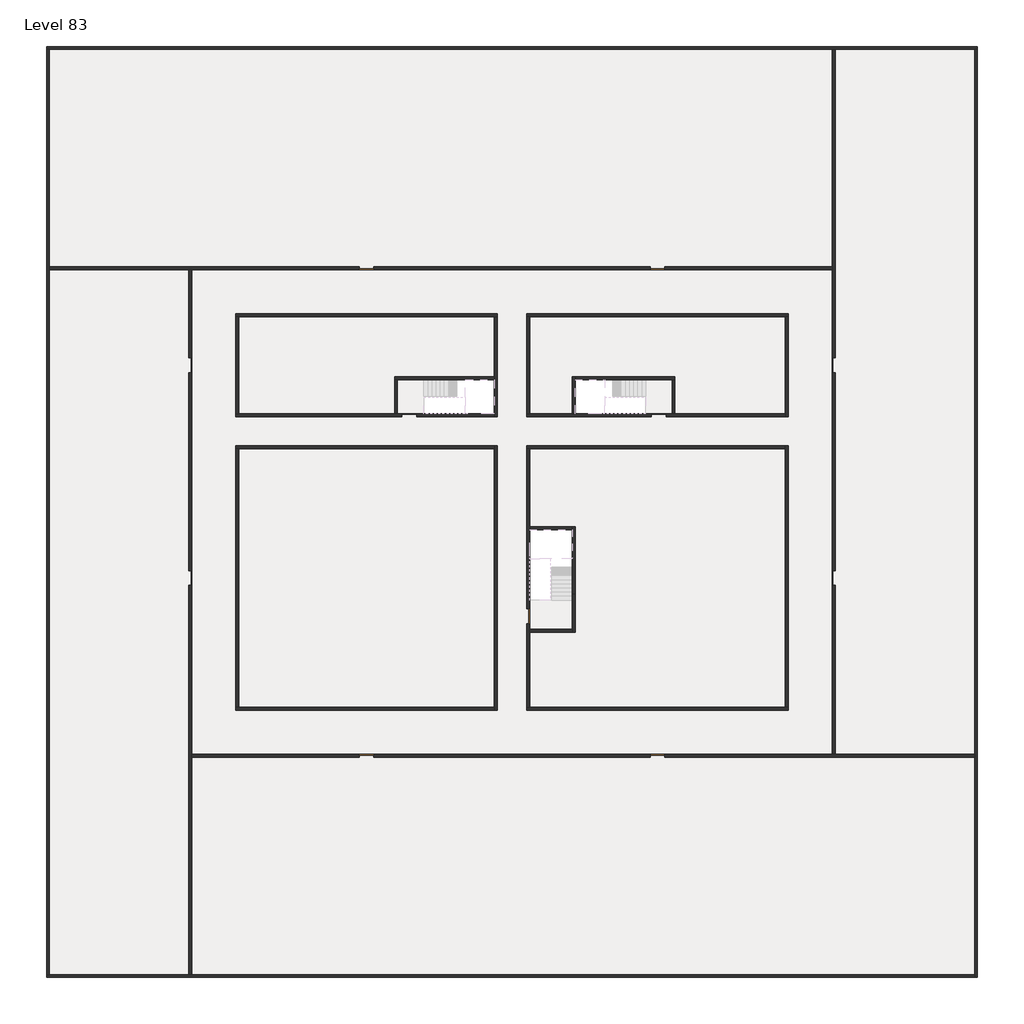
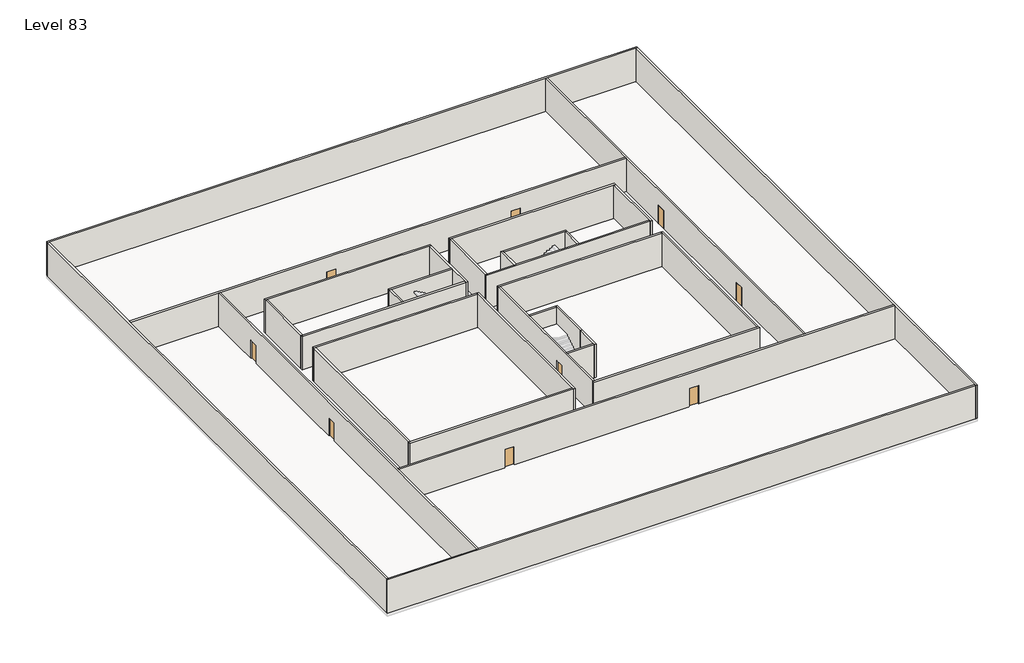
# One storey, part 1 of 2: 33 walls, 11 doors.
"""IFC4 building model written with IfcOpenShell, lengths in millimetres."""

import ifcopenshell
import ifcopenshell.guid

model = None  # the IFC model being written
_history = None  # IfcOwnerHistory: only IFC2X3 demands one
_inside = {}  # id of a spatial element -> (the spatial element, [elements in it])
_under = {}  # id of a project, library or spatial element -> (it, [spatial elements below it])
_declared = {}  # id of a project -> (the project, [libraries it declares])
_typed = {}  # id of a type object -> (the type object, [elements of that type])
_made_of = {}  # id of a material, layer set ... -> (it, [elements and type objects made of it])


def new_model(schema):
    """Start an empty IFC model of exactly this schema.

    Asked for "IFC4X3", IfcOpenShell would pick the latest addendum, in which some entities
    have other attributes; the version numbers below select the first issue.
    IFC2X3 requires an IfcOwnerHistory on every rooted entity: one is made here for all.
    """
    global model, _history
    if schema == "IFC4X3":
        model = ifcopenshell.file(schema_version=(4, 3, 0, 0))
    else:
        model = ifcopenshell.file(schema=schema)
    _inside.clear()
    _under.clear()
    _declared.clear()
    _typed.clear()
    _made_of.clear()
    _history = None
    if model.schema == "IFC2X3":
        org = make("IfcOrganization", Name="unknown")
        user = make(
            "IfcPersonAndOrganization",
            ThePerson=make("IfcPerson", FamilyName="unknown"),
            TheOrganization=org,
        )
        app = make(
            "IfcApplication",
            ApplicationDeveloper=org,
            Version="unknown",
            ApplicationFullName="unknown",
            ApplicationIdentifier="unknown",
        )
        _history = make(
            "IfcOwnerHistory",
            OwningUser=user,
            OwningApplication=app,
            ChangeAction="ADDED",
            CreationDate=0,
        )
    return model


def make(cls, **values):
    """One entity of the class cls with the attributes given. An attribute that is None is left unset."""
    return model.create_entity(
        cls, **{name: value for name, value in values.items() if value is not None}
    )


def rooted(cls, **values):
    """An entity with a GlobalId (a new one), such as an element, a storey or a relation."""
    return make(cls, GlobalId=ifcopenshell.guid.new(), OwnerHistory=_history, **values)


def si_unit(unit_type, name, prefix=None):
    """IfcSIUnit, for example si_unit("LENGTHUNIT", "METRE", prefix="MILLI")."""
    return make("IfcSIUnit", UnitType=unit_type, Prefix=prefix, Name=name)


def assignment(units):
    """IfcUnitAssignment: the units of a project."""
    return None if units is None else make("IfcUnitAssignment", Units=units)


def point(xyz):
    """IfcCartesianPoint."""
    return None if xyz is None else make("IfcCartesianPoint", Coordinates=xyz)


def direction(xyz):
    """IfcDirection."""
    return None if xyz is None else make("IfcDirection", DirectionRatios=xyz)


def frame(location, z_axis=None, x_axis=None):
    """IfcAxis2Placement3D, a coordinate frame: its origin and axes. An axis left out is left unset."""
    return make(
        "IfcAxis2Placement3D",
        Location=point(location),
        Axis=direction(z_axis),
        RefDirection=direction(x_axis),
    )


def origin():
    """The frame at (0, 0, 0) with its axes left unset."""
    return frame((0.0, 0.0, 0.0))


def origin_with_axes():
    """The frame at (0, 0, 0) with the z axis (0, 0, 1) and the x axis (1, 0, 0) written out."""
    return frame((0.0, 0.0, 0.0), z_axis=(0.0, 0.0, 1.0), x_axis=(1.0, 0.0, 0.0))


def place(relative_to, where):
    """IfcLocalPlacement: puts the frame where relative to a parent placement (None: the world)."""
    return make(
        "IfcLocalPlacement", PlacementRelTo=relative_to, RelativePlacement=where
    )


def context(
    kind, dimensions, precision=None, world=None, true_north=None, identifier=None
):
    """IfcGeometricRepresentationContext, for example the 3D "Model" context."""
    return make(
        "IfcGeometricRepresentationContext",
        ContextIdentifier=identifier,
        ContextType=kind,
        CoordinateSpaceDimension=dimensions,
        Precision=precision,
        WorldCoordinateSystem=world,
        TrueNorth=true_north,
    )


def project(units=None, contexts=None):
    """IfcProject with its units and contexts."""
    return rooted(
        "IfcProject",
        Name="project",
        RepresentationContexts=contexts,
        UnitsInContext=assignment(units),
    )


def spatial(cls, under=None, at=None, **own):
    """A site, building, storey or space (cls), placed at a placement, below another one or the project."""
    s = rooted(cls, ObjectPlacement=at, **own)
    if under is not None:
        _under.setdefault(under.id(), (under, []))[1].append(s)
    return s


def polyline(points):
    """IfcPolyline through the points."""
    return make("IfcPolyline", Points=[point(p) for p in points])


def outline(outer, holes=None, kind="AREA"):
    """IfcArbitraryClosedProfileDef: a profile drawn as a closed curve; with holes, ...WithVoids."""
    if holes is None:
        return make("IfcArbitraryClosedProfileDef", ProfileType=kind, OuterCurve=outer)
    return make(
        "IfcArbitraryProfileDefWithVoids",
        ProfileType=kind,
        OuterCurve=outer,
        InnerCurves=holes,
    )


def extrude(swept, where, along, depth):
    """IfcExtrudedAreaSolid: the profile swept, set in the frame where, extruded along a direction by depth."""
    return make(
        "IfcExtrudedAreaSolid",
        SweptArea=swept,
        Position=where,
        ExtrudedDirection=direction(along),
        Depth=depth,
    )


def faces_of(points, faces, orient=None, outer=None):
    """IfcFace entities. A face is a list of loops; a loop is a list of indices into points, from 0.

    orient and outer hold one flag for each loop. By default every Orientation is true, the
    first loop of a face is its IfcFaceOuterBound and the others are IfcFaceBound.
    """
    made = []
    for i, loops in enumerate(faces):
        bounds = []
        for j, loop in enumerate(loops):
            is_outer = j == 0 if outer is None else outer[i][j]
            bounds.append(
                make(
                    "IfcFaceOuterBound" if is_outer else "IfcFaceBound",
                    Bound=make("IfcPolyLoop", Polygon=[points[k] for k in loop]),
                    Orientation=True if orient is None else orient[i][j],
                )
            )
        made.append(make("IfcFace", Bounds=bounds))
    return made


def faceted_brep(points, faces, orient=None, outer=None, voids=None):
    """IfcFacetedBrep: a solid bounded by flat faces; with voids (closed shells), ...WithVoids."""
    shared = [point(p) for p in points]
    hull = make("IfcClosedShell", CfsFaces=faces_of(shared, faces, orient, outer))
    if voids is None:
        return make("IfcFacetedBrep", Outer=hull)
    return make(
        "IfcFacetedBrepWithVoids",
        Outer=hull,
        Voids=[
            make(cls, CfsFaces=faces_of(shared, fs, o, b)) for cls, fs, o, b in voids
        ],
    )


def shape(context_of_items, identifier, shape_type, items):
    """IfcShapeRepresentation: the items that make up one representation, for example the "Body"."""
    return make(
        "IfcShapeRepresentation",
        ContextOfItems=context_of_items,
        RepresentationIdentifier=identifier,
        RepresentationType=shape_type,
        Items=items,
    )


def source(mapping_origin, context_of_items, identifier, shape_type, items):
    """IfcRepresentationMap: a shape defined once, which mapped items show again and again."""
    return make(
        "IfcRepresentationMap",
        MappingOrigin=mapping_origin,
        MappedRepresentation=shape(context_of_items, identifier, shape_type, items),
    )


def transform(
    local_origin,
    x_axis=None,
    y_axis=None,
    z_axis=None,
    scale=None,
    scale2=None,
    scale3=None,
    uniform=True,
):
    """IfcCartesianTransformationOperator3D, or its non-uniform kind. x_axis, y_axis, z_axis: its Axis1, 2, 3."""
    if uniform:
        return make(
            "IfcCartesianTransformationOperator3D",
            Axis1=direction(x_axis),
            Axis2=direction(y_axis),
            LocalOrigin=point(local_origin),
            Scale=scale,
            Axis3=direction(z_axis),
        )
    return make(
        "IfcCartesianTransformationOperator3DnonUniform",
        Axis1=direction(x_axis),
        Axis2=direction(y_axis),
        LocalOrigin=point(local_origin),
        Scale=scale,
        Axis3=direction(z_axis),
        Scale2=scale2,
        Scale3=scale3,
    )


def mapped(mapping_source, mapping_target):
    """IfcMappedItem: shows the shape of a source again, moved by a transform."""
    return make(
        "IfcMappedItem", MappingSource=mapping_source, MappingTarget=mapping_target
    )


def made_of(thing, what):
    """Note that an element or type object is made of a material, layer set ...; save() writes the relation."""
    if what is not None:
        _made_of.setdefault(what.id(), (what, []))[1].append(thing)
    return thing


def element(
    cls,
    number,
    at=None,
    inside=None,
    cuts=None,
    type_object=None,
    material=None,
    context=None,
    identifier="Body",
    shape_type=None,
    held_by="IfcProductDefinitionShape",
    body=None,
    shapes=None,
    **own,
):
    """One element of the class cls, such as IfcWall. Its Tag is "e" and its number.

    at: its placement. inside: the storey or other place that contains it. cuts: it is an
    opening in that element (IfcRelVoidsElement). A single representation is given by context,
    identifier, shape_type and body (its items); several are given by shapes. held_by: the class
    of the entity that holds the representations. save() writes the other relations.
    """
    e = rooted(cls, Tag="e%d" % number, ObjectPlacement=at, **own)
    if body is not None:
        shapes = [shape(context, identifier, shape_type, body)]
    if shapes is not None:
        e.Representation = make(held_by, Representations=shapes)
    if inside is not None:
        _inside.setdefault(inside.id(), (inside, []))[1].append(e)
    if cuts is not None:
        rooted(
            "IfcRelVoidsElement", RelatingBuildingElement=cuts, RelatedOpeningElement=e
        )
    if type_object is not None:
        _typed.setdefault(type_object.id(), (type_object, []))[1].append(e)
    return made_of(e, material)


def aggregate(whole, parts):
    """IfcRelAggregates: a whole, such as a stair, and the parts it consists of."""
    return rooted("IfcRelAggregates", RelatingObject=whole, RelatedObjects=parts)


def save(model, path):
    """Write the relations noted so far, then the file.

    IfcRelAggregates (storeys below a building ...), IfcRelContainedInSpatialStructure (elements
    in a storey), IfcRelDefinesByType, IfcRelAssociatesMaterial and IfcRelDeclares: one each for
    every whole, place, type object, material and project.
    """
    for whole, parts in _under.values():
        aggregate(whole, parts)
    for where, things in _inside.values():
        rooted(
            "IfcRelContainedInSpatialStructure",
            RelatedElements=things,
            RelatingStructure=where,
        )
    for kind, things in _typed.values():
        rooted("IfcRelDefinesByType", RelatedObjects=things, RelatingType=kind)
    for what, things in _made_of.values():
        rooted("IfcRelAssociatesMaterial", RelatedObjects=things, RelatingMaterial=what)
    for by, libraries in _declared.values():
        rooted("IfcRelDeclares", RelatingContext=by, RelatedDefinitions=libraries)
    model.write(path)


def door_fb3c37fd(model_context):
    return source(origin(), model_context, "Body", "SweptSolid", [
        extrude(outline(polyline([(500.0, 49.0), (-500.0, 49.0), (-500.0, 100.0), (500.0, 100.0), (500.0, 49.0)])), origin_with_axes(), (0.0, 0.0, 1.0), 2100.0),
    ])


def door_0317a72c(model_context):
    return source(origin(), model_context, "Body", "SweptSolid", [
        extrude(outline(polyline([(500.0, -49.0), (500.0, -100.0), (-500.0, -100.0), (-500.0, -49.0), (500.0, -49.0)])), origin_with_axes(), (0.0, 0.0, 1.0), 2100.0),
    ])


model = new_model("IFC4")

# Units and contexts
model_context = context("Model", 3, world=origin())
ifc_project = project(units=[si_unit("LENGTHUNIT", "METRE", prefix="MILLI")], contexts=[model_context])

# Site, building, storey
site = spatial("IfcSite", under=ifc_project)
building = spatial("IfcBuilding", under=site)
storey = spatial("IfcBuildingStorey", under=building, Name="Level 83", Elevation=311600.0)

# Doors
placement = place(None, origin())
door_shape = door_fb3c37fd(model_context)
element("IfcDoor", 1, at=placement, inside=storey, context=model_context, shape_type="MappedRepresentation", body=[
    mapped(door_shape, transform((34190.1058784, -30618.09644, 311600.0), x_axis=(1.0, 0.0, 0.0), y_axis=(0.0, 1.0, 0.0), z_axis=(0.0, 0.0, 1.0))),
])
element("IfcDoor", 2, at=placement, inside=storey, context=model_context, shape_type="MappedRepresentation", body=[
    mapped(door_shape, transform((25290.1058784, -44318.09644, 311600.0), x_axis=(0.0, -1.0, 0.0), y_axis=(1.0, 0.0, 0.0), z_axis=(0.0, 0.0, 1.0))),
])
element("IfcDoor", 3, at=placement, inside=storey, context=model_context, shape_type="MappedRepresentation", body=[
    mapped(door_shape, transform((2290.1058784, -41718.09644, 311600.0), x_axis=(0.0, -1.0, 0.0), y_axis=(1.0, 0.0, 0.0), z_axis=(0.0, 0.0, 1.0))),
])
element("IfcDoor", 4, at=placement, inside=storey, context=model_context, shape_type="MappedRepresentation", body=[
    mapped(door_shape, transform((2290.1058784, -27218.09644, 311600.0), x_axis=(0.0, -1.0, 0.0), y_axis=(1.0, 0.0, 0.0), z_axis=(0.0, 0.0, 1.0))),
])
element("IfcDoor", 5, at=placement, inside=storey, context=model_context, shape_type="MappedRepresentation", body=[
    mapped(door_shape, transform((14290.1058784, -20618.09644, 311600.0), x_axis=(-1.0, 0.0, 0.0), y_axis=(0.0, -1.0, 0.0), z_axis=(0.0, 0.0, 1.0))),
])
element("IfcDoor", 6, at=placement, inside=storey, context=model_context, shape_type="MappedRepresentation", body=[
    mapped(door_shape, transform((34090.1058784, -20618.09644, 311600.0), x_axis=(-1.0, 0.0, 0.0), y_axis=(0.0, -1.0, 0.0), z_axis=(0.0, 0.0, 1.0))),
])
element("IfcDoor", 7, at=placement, inside=storey, context=model_context, shape_type="MappedRepresentation", body=[
    mapped(door_shape, transform((46090.1058784, -27218.09644, 311600.0), x_axis=(0.0, 1.0, 0.0), y_axis=(-1.0, 0.0, 0.0), z_axis=(0.0, 0.0, 1.0))),
])
element("IfcDoor", 8, at=placement, inside=storey, context=model_context, shape_type="MappedRepresentation", body=[
    mapped(door_shape, transform((46090.1058784, -41718.09644, 311600.0), x_axis=(0.0, 1.0, 0.0), y_axis=(-1.0, 0.0, 0.0), z_axis=(0.0, 0.0, 1.0))),
])
element("IfcDoor", 9, at=placement, inside=storey, context=model_context, shape_type="MappedRepresentation", body=[
    mapped(door_shape, transform((34090.1058784, -53818.09644, 311600.0), x_axis=(1.0, 0.0, 0.0), y_axis=(0.0, 1.0, 0.0), z_axis=(0.0, 0.0, 1.0))),
])
element("IfcDoor", 10, at=placement, inside=storey, context=model_context, shape_type="MappedRepresentation", body=[
    mapped(door_shape, transform((14290.1058784, -53818.09644, 311600.0), x_axis=(1.0, 0.0, 0.0), y_axis=(0.0, 1.0, 0.0), z_axis=(0.0, 0.0, 1.0))),
])
door_2_shape = door_0317a72c(model_context)
element("IfcDoor", 11, at=placement, inside=storey, context=model_context, shape_type="MappedRepresentation", body=[
    mapped(door_2_shape, transform((17190.1058784, -30618.09644, 311600.0), x_axis=(-1.0, 0.0, 0.0), y_axis=(0.0, -1.0, 0.0), z_axis=(0.0, 0.0, 1.0))),
])

# Walls
element("IfcWall", 12, at=placement, inside=storey, context=model_context, shape_type="Brep", body=[
    faceted_brep([(-7509.8941216, -5718.09644, 311600.0), (-7309.8941216, -5718.09644, 311600.0), (45990.1058784, -5718.09644, 311600.0), (46190.1058784, -5718.09644, 311600.0), (55690.1058784, -5718.09644, 311600.0), (55890.1058784, -5718.09644, 311600.0), (55890.1058784, -5718.09644, 315400.0), (55690.1058784, -5718.09644, 315400.0), (46190.1058784, -5718.09644, 315400.0), (45990.1058784, -5718.09644, 315400.0), (-7309.8941216, -5718.09644, 315400.0), (-7509.8941216, -5718.09644, 315400.0), (-7509.8941216, -5518.09644, 311600.0), (-7509.8941216, -5518.09644, 315400.0), (55890.1058784, -5518.09644, 315400.0), (55890.1058784, -5518.09644, 311600.0)], [[[0, 1, 2, 3, 4, 5, 6, 7, 8, 9, 10, 11]], [[12, 13, 14, 15]], [[5, 4, 3, 2, 1, 0, 12, 15]], [[11, 10, 9, 8, 7, 6, 14, 13]], [[6, 5, 15, 14]], [[0, 11, 13, 12]]]),
])
element("IfcWall", 13, at=placement, inside=storey, context=model_context, shape_type="Brep", body=[
    faceted_brep([(55690.1058784, -5718.09644, 311600.0), (55690.1058784, -53718.09644, 311600.0), (55690.1058784, -53918.09644, 311600.0), (55690.1058784, -68718.09644, 311600.0), (55690.1058784, -68918.09644, 311600.0), (55690.1058784, -68918.09644, 315400.0), (55690.1058784, -68718.09644, 315400.0), (55690.1058784, -53918.09644, 315400.0), (55690.1058784, -53718.09644, 315400.0), (55690.1058784, -5718.09644, 315400.0), (55890.1058784, -5718.09644, 311600.0), (55890.1058784, -5718.09644, 315400.0), (55890.1058784, -68918.09644, 315400.0), (55890.1058784, -68918.09644, 311600.0)], [[[0, 1, 2, 3, 4, 5, 6, 7, 8, 9]], [[10, 11, 12, 13]], [[4, 3, 2, 1, 0, 10, 13]], [[9, 8, 7, 6, 5, 12, 11]], [[0, 9, 11, 10]], [[5, 4, 13, 12]]]),
])
element("IfcWall", 14, at=placement, inside=storey, context=model_context, shape_type="Brep", body=[
    faceted_brep([(55690.1058784, -68718.09644, 311600.0), (2390.1058784, -68718.09644, 311600.0), (2190.1058784, -68718.09644, 311600.0), (-7309.8941216, -68718.09644, 311600.0), (-7509.8941216, -68718.09644, 311600.0), (-7509.8941216, -68718.09644, 315400.0), (-7309.8941216, -68718.09644, 315400.0), (2190.1058784, -68718.09644, 315400.0), (2390.1058784, -68718.09644, 315400.0), (55690.1058784, -68718.09644, 315400.0), (55690.1058784, -68918.09644, 311600.0), (55690.1058784, -68918.09644, 315400.0), (-7509.8941216, -68918.09644, 315400.0), (-7509.8941216, -68918.09644, 311600.0)], [[[0, 1, 2, 3, 4, 5, 6, 7, 8, 9]], [[10, 11, 12, 13]], [[4, 3, 2, 1, 0, 10, 13]], [[9, 8, 7, 6, 5, 12, 11]], [[0, 9, 11, 10]], [[5, 4, 13, 12]]]),
])
element("IfcWall", 15, at=placement, inside=storey, context=model_context, shape_type="Brep", body=[
    faceted_brep([(-7309.8941216, -68718.09644, 311600.0), (-7309.8941216, -20718.09644, 311600.0), (-7309.8941216, -20518.09644, 311600.0), (-7309.8941216, -5718.09644, 311600.0), (-7309.8941216, -5718.09644, 315400.0), (-7309.8941216, -20518.09644, 315400.0), (-7309.8941216, -20718.09644, 315400.0), (-7309.8941216, -68718.09644, 315400.0), (-7509.8941216, -68718.09644, 311600.0), (-7509.8941216, -68718.09644, 315400.0), (-7509.8941216, -5718.09644, 315400.0), (-7509.8941216, -5718.09644, 311600.0)], [[[0, 1, 2, 3, 4, 5, 6, 7]], [[8, 9, 10, 11]], [[3, 2, 1, 0, 8, 11]], [[7, 6, 5, 4, 10, 9]], [[4, 3, 11, 10]], [[0, 7, 9, 8]]]),
])
element("IfcWall", 16, at=placement, inside=storey, context=model_context, shape_type="Brep", body=[
    faceted_brep([(5390.1058784, -23918.09644, 311600.0), (5590.1058784, -23918.09644, 311600.0), (22990.1058784, -23918.09644, 311600.0), (23190.1058784, -23918.09644, 311600.0), (23190.1058784, -23918.09644, 315400.0), (22990.1058784, -23918.09644, 315400.0), (5590.1058784, -23918.09644, 315400.0), (5390.1058784, -23918.09644, 315400.0), (5390.1058784, -23718.09644, 311600.0), (5390.1058784, -23718.09644, 315400.0), (23190.1058784, -23718.09644, 315400.0), (23190.1058784, -23718.09644, 311600.0)], [[[0, 1, 2, 3, 4, 5, 6, 7]], [[8, 9, 10, 11]], [[3, 2, 1, 0, 8, 11]], [[7, 6, 5, 4, 10, 9]], [[4, 3, 11, 10]], [[0, 7, 9, 8]]]),
])
element("IfcWall", 17, at=placement, inside=storey, context=model_context, shape_type="Brep", body=[
    faceted_brep([(22990.1058784, -23918.09644, 311600.0), (22990.1058784, -28018.09644, 311600.0), (22990.1058784, -28218.09644, 311600.0), (22990.1058784, -30518.09644, 311600.0), (22990.1058784, -30718.09644, 311600.0), (22990.1058784, -30718.09644, 315400.0), (22990.1058784, -30518.09644, 315400.0), (22990.1058784, -28218.09644, 315400.0), (22990.1058784, -28018.09644, 315400.0), (22990.1058784, -23918.09644, 315400.0), (23190.1058784, -23918.09644, 311600.0), (23190.1058784, -23918.09644, 315400.0), (23190.1058784, -30718.09644, 315400.0), (23190.1058784, -30718.09644, 311600.0)], [[[0, 1, 2, 3, 4, 5, 6, 7, 8, 9]], [[10, 11, 12, 13]], [[4, 3, 2, 1, 0, 10, 13]], [[9, 8, 7, 6, 5, 12, 11]], [[0, 9, 11, 10]], [[5, 4, 13, 12]]]),
])
element("IfcWall", 18, at=placement, inside=storey, context=model_context, shape_type="Brep", body=[
    faceted_brep([(25190.1058784, -44818.09644, 313700.0), (25190.1058784, -44818.09644, 311600.0), (25190.1058784, -50518.09644, 311600.0), (25190.1058784, -50518.09644, 315400.0), (25190.1058784, -32918.09644, 315400.0), (25190.1058784, -32918.09644, 311600.0), (25190.1058784, -43818.09644, 311600.0), (25190.1058784, -43818.09644, 313700.0), (25390.1058784, -50518.09644, 311600.0), (25390.1058784, -45418.09644, 311600.0), (25390.1058784, -45218.09644, 311600.0), (25390.1058784, -44818.09644, 311600.0), (25390.1058784, -44818.09644, 313700.0), (25390.1058784, -43818.09644, 313700.0), (25390.1058784, -43818.09644, 311600.0), (25390.1058784, -38418.09644, 311600.0), (25390.1058784, -38218.09644, 311600.0), (25390.1058784, -32918.09644, 311600.0), (25390.1058784, -32918.09644, 315400.0), (25390.1058784, -38218.09644, 315400.0), (25390.1058784, -38418.09644, 315400.0), (25390.1058784, -45218.09644, 315400.0), (25390.1058784, -45418.09644, 315400.0), (25390.1058784, -50518.09644, 315400.0)], [[[0, 1, 2, 3, 4, 5, 6, 7]], [[8, 9, 10, 11, 12, 13, 14, 15, 16, 17, 18, 19, 20, 21, 22, 23]], [[6, 5, 17, 16, 15, 14]], [[2, 1, 11, 10, 9, 8]], [[4, 3, 23, 22, 21, 20, 19, 18]], [[3, 2, 8, 23]], [[5, 4, 18, 17]], [[12, 11, 1, 0]], [[13, 12, 0, 7]], [[14, 13, 7, 6]]]),
])
element("IfcWall", 19, at=placement, inside=storey, context=model_context, shape_type="Brep", body=[
    faceted_brep([(22990.1058784, -32718.09644, 311600.0), (22990.1058784, -32918.09644, 311600.0), (22990.1058784, -50518.09644, 311600.0), (22990.1058784, -50718.09644, 311600.0), (22990.1058784, -50718.09644, 315400.0), (22990.1058784, -50518.09644, 315400.0), (22990.1058784, -32918.09644, 315400.0), (22990.1058784, -32718.09644, 315400.0), (23190.1058784, -32718.09644, 311600.0), (23190.1058784, -32718.09644, 315400.0), (23190.1058784, -50718.09644, 315400.0), (23190.1058784, -50718.09644, 311600.0)], [[[0, 1, 2, 3, 4, 5, 6, 7]], [[8, 9, 10, 11]], [[3, 2, 1, 0, 8, 11]], [[7, 6, 5, 4, 10, 9]], [[4, 3, 11, 10]], [[0, 7, 9, 8]]]),
])
element("IfcWall", 20, at=placement, inside=storey, context=model_context, shape_type="Brep", body=[
    faceted_brep([(22990.1058784, -50518.09644, 311600.0), (5590.1058784, -50518.09644, 311600.0), (5390.1058784, -50518.09644, 311600.0), (5390.1058784, -50518.09644, 315400.0), (5590.1058784, -50518.09644, 315400.0), (22990.1058784, -50518.09644, 315400.0), (22990.1058784, -50718.09644, 311600.0), (22990.1058784, -50718.09644, 315400.0), (5390.1058784, -50718.09644, 315400.0), (5390.1058784, -50718.09644, 311600.0)], [[[0, 1, 2, 3, 4, 5]], [[6, 7, 8, 9]], [[2, 1, 0, 6, 9]], [[5, 4, 3, 8, 7]], [[0, 5, 7, 6]], [[3, 2, 9, 8]]]),
])
element("IfcWall", 21, at=placement, inside=storey, context=model_context, shape_type="Brep", body=[
    faceted_brep([(28290.1058784, -42818.09644, 311600.0), (28290.1058784, -45218.09644, 311600.0), (28290.1058784, -45418.09644, 311600.0), (28290.1058784, -45418.09644, 315400.0), (28290.1058784, -45218.09644, 315400.0), (28290.1058784, -42818.09644, 315400.0), (28490.1058784, -42818.09644, 311600.0), (28490.1058784, -42818.09644, 315400.0), (28490.1058784, -45418.09644, 315400.0), (28490.1058784, -45418.09644, 311600.0)], [[[0, 1, 2, 3, 4, 5]], [[6, 7, 8, 9]], [[2, 1, 0, 6, 9]], [[5, 4, 3, 8, 7]], [[0, 5, 7, 6]], [[3, 2, 9, 8]]]),
])
element("IfcWall", 22, at=placement, inside=storey, context=model_context, shape_type="SweptSolid", body=[
    extrude(outline(polyline([(5390.1058784, -30518.09644), (5390.1058784, -23918.09644), (5590.1058784, -23918.09644), (5590.1058784, -30518.09644), (5390.1058784, -30518.09644)])), frame((0.0, 0.0, 311600.0), z_axis=(0.0, 0.0, 1.0), x_axis=(1.0, 0.0, 0.0)), (0.0, 0.0, 1.0), 3800.0),
])
element("IfcWall", 23, at=placement, inside=storey, context=model_context, shape_type="Brep", body=[
    faceted_brep([(5390.1058784, -30718.09644, 311600.0), (16690.1058784, -30718.09644, 311600.0), (16690.1058784, -30718.09644, 313700.0), (17690.1058784, -30718.09644, 313700.0), (17690.1058784, -30718.09644, 311600.0), (22990.1058784, -30718.09644, 311600.0), (22990.1058784, -30718.09644, 315400.0), (5390.1058784, -30718.09644, 315400.0), (16690.1058784, -30518.09644, 313700.0), (16690.1058784, -30518.09644, 311600.0), (16390.1058784, -30518.09644, 311600.0), (16190.1058784, -30518.09644, 311600.0), (5590.1058784, -30518.09644, 311600.0), (5390.1058784, -30518.09644, 311600.0), (5390.1058784, -30518.09644, 315400.0), (5590.1058784, -30518.09644, 315400.0), (16190.1058784, -30518.09644, 315400.0), (16390.1058784, -30518.09644, 315400.0), (22990.1058784, -30518.09644, 315400.0), (22990.1058784, -30518.09644, 311600.0), (17690.1058784, -30518.09644, 311600.0), (17690.1058784, -30518.09644, 313700.0)], [[[0, 1, 2, 3, 4, 5, 6, 7]], [[8, 9, 10, 11, 12, 13, 14, 15, 16, 17, 18, 19, 20, 21]], [[20, 19, 5, 4]], [[13, 12, 11, 10, 9, 1, 0]], [[7, 6, 18, 17, 16, 15, 14]], [[0, 7, 14, 13]], [[6, 5, 19, 18]], [[2, 1, 9, 8]], [[3, 2, 8, 21]], [[4, 3, 21, 20]]]),
])
element("IfcWall", 24, at=placement, inside=storey, context=model_context, shape_type="Brep", body=[
    faceted_brep([(28490.1058784, -42818.09644, 311600.0), (28490.1058784, -38218.09644, 311600.0), (28490.1058784, -38218.09644, 315400.0), (28490.1058784, -42818.09644, 315400.0), (28290.1058784, -42818.09644, 311600.0), (28290.1058784, -42818.09644, 315400.0), (28290.1058784, -38418.09644, 315400.0), (28290.1058784, -38218.09644, 315400.0), (28290.1058784, -38218.09644, 311600.0), (28290.1058784, -38418.09644, 311600.0)], [[[0, 1, 2, 3]], [[4, 5, 6, 7, 8, 9]], [[1, 0, 4, 9, 8]], [[3, 2, 7, 6, 5]], [[0, 3, 5, 4]], [[2, 1, 8, 7]]]),
])
element("IfcWall", 25, at=placement, inside=storey, context=model_context, shape_type="SweptSolid", body=[
    extrude(outline(polyline([(25390.1058784, -38218.09644), (28290.1058784, -38218.09644), (28290.1058784, -38418.09644), (25390.1058784, -38418.09644), (25390.1058784, -38218.09644)])), frame((0.0, 0.0, 311600.0), z_axis=(0.0, 0.0, 1.0), x_axis=(1.0, 0.0, 0.0)), (0.0, 0.0, 1.0), 3800.0),
])
element("IfcWall", 26, at=placement, inside=storey, context=model_context, shape_type="SweptSolid", body=[
    extrude(outline(polyline([(28290.1058784, -45418.09644), (25390.1058784, -45418.09644), (25390.1058784, -45218.09644), (28290.1058784, -45218.09644), (28290.1058784, -45418.09644)])), frame((0.0, 0.0, 311600.0), z_axis=(0.0, 0.0, 1.0), x_axis=(1.0, 0.0, 0.0)), (0.0, 0.0, 1.0), 3800.0),
])
element("IfcWall", 27, at=placement, inside=storey, context=model_context, shape_type="Brep", body=[
    faceted_brep([(5390.1058784, -32918.09644, 311600.0), (5590.1058784, -32918.09644, 311600.0), (22990.1058784, -32918.09644, 311600.0), (22990.1058784, -32918.09644, 315400.0), (5590.1058784, -32918.09644, 315400.0), (5390.1058784, -32918.09644, 315400.0), (5390.1058784, -32718.09644, 311600.0), (5390.1058784, -32718.09644, 315400.0), (22990.1058784, -32718.09644, 315400.0), (22990.1058784, -32718.09644, 311600.0)], [[[0, 1, 2, 3, 4, 5]], [[6, 7, 8, 9]], [[2, 1, 0, 6, 9]], [[5, 4, 3, 8, 7]], [[3, 2, 9, 8]], [[0, 5, 7, 6]]]),
])
element("IfcWall", 28, at=placement, inside=storey, context=model_context, shape_type="SweptSolid", body=[
    extrude(outline(polyline([(5390.1058784, -50518.09644), (5390.1058784, -32918.09644), (5590.1058784, -32918.09644), (5590.1058784, -50518.09644), (5390.1058784, -50518.09644)])), frame((0.0, 0.0, 311600.0), z_axis=(0.0, 0.0, 1.0), x_axis=(1.0, 0.0, 0.0)), (0.0, 0.0, 1.0), 3800.0),
])
element("IfcWall", 29, at=placement, inside=storey, context=model_context, shape_type="Brep", body=[
    faceted_brep([(25190.1058784, -50718.09644, 311600.0), (42990.1058784, -50718.09644, 311600.0), (42990.1058784, -50718.09644, 315400.0), (25190.1058784, -50718.09644, 315400.0), (25190.1058784, -50518.09644, 311600.0), (25190.1058784, -50518.09644, 315400.0), (25390.1058784, -50518.09644, 315400.0), (42790.1058784, -50518.09644, 315400.0), (42990.1058784, -50518.09644, 315400.0), (42990.1058784, -50518.09644, 311600.0), (42790.1058784, -50518.09644, 311600.0), (25390.1058784, -50518.09644, 311600.0)], [[[0, 1, 2, 3]], [[4, 5, 6, 7, 8, 9, 10, 11]], [[1, 0, 4, 11, 10, 9]], [[3, 2, 8, 7, 6, 5]], [[2, 1, 9, 8]], [[0, 3, 5, 4]]]),
])
element("IfcWall", 30, at=placement, inside=storey, context=model_context, shape_type="Brep", body=[
    faceted_brep([(42990.1058784, -50518.09644, 311600.0), (42990.1058784, -32718.09644, 311600.0), (42990.1058784, -32718.09644, 315400.0), (42990.1058784, -50518.09644, 315400.0), (42790.1058784, -50518.09644, 311600.0), (42790.1058784, -50518.09644, 315400.0), (42790.1058784, -32918.09644, 315400.0), (42790.1058784, -32718.09644, 315400.0), (42790.1058784, -32718.09644, 311600.0), (42790.1058784, -32918.09644, 311600.0)], [[[0, 1, 2, 3]], [[4, 5, 6, 7, 8, 9]], [[1, 0, 4, 9, 8]], [[3, 2, 7, 6, 5]], [[0, 3, 5, 4]], [[2, 1, 8, 7]]]),
])
element("IfcWall", 31, at=placement, inside=storey, context=model_context, shape_type="Brep", body=[
    faceted_brep([(42790.1058784, -32718.09644, 311600.0), (25190.1058784, -32718.09644, 311600.0), (25190.1058784, -32718.09644, 315400.0), (42790.1058784, -32718.09644, 315400.0), (42790.1058784, -32918.09644, 311600.0), (42790.1058784, -32918.09644, 315400.0), (25390.1058784, -32918.09644, 315400.0), (25190.1058784, -32918.09644, 315400.0), (25190.1058784, -32918.09644, 311600.0), (25390.1058784, -32918.09644, 311600.0)], [[[0, 1, 2, 3]], [[4, 5, 6, 7, 8, 9]], [[1, 0, 4, 9, 8]], [[3, 2, 7, 6, 5]], [[0, 3, 5, 4]], [[2, 1, 8, 7]]]),
])
element("IfcWall", 32, at=placement, inside=storey, context=model_context, shape_type="Brep", body=[
    faceted_brep([(25190.1058784, -23918.09644, 311600.0), (25390.1058784, -23918.09644, 311600.0), (42790.1058784, -23918.09644, 311600.0), (42990.1058784, -23918.09644, 311600.0), (42990.1058784, -23918.09644, 315400.0), (42790.1058784, -23918.09644, 315400.0), (25390.1058784, -23918.09644, 315400.0), (25190.1058784, -23918.09644, 315400.0), (25190.1058784, -23718.09644, 311600.0), (25190.1058784, -23718.09644, 315400.0), (42990.1058784, -23718.09644, 315400.0), (42990.1058784, -23718.09644, 311600.0)], [[[0, 1, 2, 3, 4, 5, 6, 7]], [[8, 9, 10, 11]], [[3, 2, 1, 0, 8, 11]], [[7, 6, 5, 4, 10, 9]], [[0, 7, 9, 8]], [[4, 3, 11, 10]]]),
])
element("IfcWall", 33, at=placement, inside=storey, context=model_context, shape_type="Brep", body=[
    faceted_brep([(42790.1058784, -23918.09644, 311600.0), (42790.1058784, -30518.09644, 311600.0), (42790.1058784, -30718.09644, 311600.0), (42790.1058784, -30718.09644, 315400.0), (42790.1058784, -30518.09644, 315400.0), (42790.1058784, -23918.09644, 315400.0), (42990.1058784, -23918.09644, 311600.0), (42990.1058784, -23918.09644, 315400.0), (42990.1058784, -30718.09644, 315400.0), (42990.1058784, -30718.09644, 311600.0)], [[[0, 1, 2, 3, 4, 5]], [[6, 7, 8, 9]], [[2, 1, 0, 6, 9]], [[5, 4, 3, 8, 7]], [[0, 5, 7, 6]], [[3, 2, 9, 8]]]),
])
element("IfcWall", 34, at=placement, inside=storey, context=model_context, shape_type="Brep", body=[
    faceted_brep([(42790.1058784, -30518.09644, 311600.0), (35290.1058784, -30518.09644, 311600.0), (35090.1058784, -30518.09644, 311600.0), (34690.1058784, -30518.09644, 311600.0), (34690.1058784, -30518.09644, 313700.0), (33690.1058784, -30518.09644, 313700.0), (33690.1058784, -30518.09644, 311600.0), (28490.1058784, -30518.09644, 311600.0), (28290.1058784, -30518.09644, 311600.0), (25390.1058784, -30518.09644, 311600.0), (25190.1058784, -30518.09644, 311600.0), (25190.1058784, -30518.09644, 315400.0), (25390.1058784, -30518.09644, 315400.0), (28290.1058784, -30518.09644, 315400.0), (28490.1058784, -30518.09644, 315400.0), (35090.1058784, -30518.09644, 315400.0), (35290.1058784, -30518.09644, 315400.0), (42790.1058784, -30518.09644, 315400.0), (34690.1058784, -30718.09644, 313700.0), (34690.1058784, -30718.09644, 311600.0), (42790.1058784, -30718.09644, 311600.0), (42790.1058784, -30718.09644, 315400.0), (25190.1058784, -30718.09644, 315400.0), (25190.1058784, -30718.09644, 311600.0), (33690.1058784, -30718.09644, 311600.0), (33690.1058784, -30718.09644, 313700.0)], [[[0, 1, 2, 3, 4, 5, 6, 7, 8, 9, 10, 11, 12, 13, 14, 15, 16, 17]], [[18, 19, 20, 21, 22, 23, 24, 25]], [[24, 23, 10, 9, 8, 7, 6]], [[20, 19, 3, 2, 1, 0]], [[17, 16, 15, 14, 13, 12, 11, 22, 21]], [[11, 10, 23, 22]], [[0, 17, 21, 20]], [[4, 3, 19, 18]], [[5, 4, 18, 25]], [[6, 5, 25, 24]]]),
])
element("IfcWall", 35, at=placement, inside=storey, context=model_context, shape_type="SweptSolid", body=[
    extrude(outline(polyline([(25390.1058784, -23918.09644), (25390.1058784, -30518.09644), (25190.1058784, -30518.09644), (25190.1058784, -23918.09644), (25390.1058784, -23918.09644)])), frame((0.0, 0.0, 311600.0), z_axis=(0.0, 0.0, 1.0), x_axis=(1.0, 0.0, 0.0)), (0.0, 0.0, 1.0), 3800.0),
])
element("IfcWall", 36, at=placement, inside=storey, context=model_context, shape_type="Brep", body=[
    faceted_brep([(28490.1058784, -30518.09644, 311600.0), (28490.1058784, -28218.09644, 311600.0), (28490.1058784, -28018.09644, 311600.0), (28490.1058784, -28018.09644, 315400.0), (28490.1058784, -28218.09644, 315400.0), (28490.1058784, -30518.09644, 315400.0), (28290.1058784, -30518.09644, 311600.0), (28290.1058784, -30518.09644, 315400.0), (28290.1058784, -28018.09644, 315400.0), (28290.1058784, -28018.09644, 311600.0)], [[[0, 1, 2, 3, 4, 5]], [[6, 7, 8, 9]], [[2, 1, 0, 6, 9]], [[5, 4, 3, 8, 7]], [[0, 5, 7, 6]], [[3, 2, 9, 8]]]),
])
element("IfcWall", 37, at=placement, inside=storey, context=model_context, shape_type="Brep", body=[
    faceted_brep([(28490.1058784, -28218.09644, 311600.0), (35090.1058784, -28218.09644, 311600.0), (35290.1058784, -28218.09644, 311600.0), (35290.1058784, -28218.09644, 315400.0), (35090.1058784, -28218.09644, 315400.0), (28490.1058784, -28218.09644, 315400.0), (28490.1058784, -28018.09644, 311600.0), (28490.1058784, -28018.09644, 315400.0), (35290.1058784, -28018.09644, 315400.0), (35290.1058784, -28018.09644, 311600.0)], [[[0, 1, 2, 3, 4, 5]], [[6, 7, 8, 9]], [[2, 1, 0, 6, 9]], [[5, 4, 3, 8, 7]], [[0, 5, 7, 6]], [[3, 2, 9, 8]]]),
])
element("IfcWall", 38, at=placement, inside=storey, context=model_context, shape_type="SweptSolid", body=[
    extrude(outline(polyline([(35090.1058784, -30518.09644), (35090.1058784, -28218.09644), (35290.1058784, -28218.09644), (35290.1058784, -30518.09644), (35090.1058784, -30518.09644)])), frame((0.0, 0.0, 311600.0), z_axis=(0.0, 0.0, 1.0), x_axis=(1.0, 0.0, 0.0)), (0.0, 0.0, 1.0), 3800.0),
])
element("IfcWall", 39, at=placement, inside=storey, context=model_context, shape_type="Brep", body=[
    faceted_brep([(22990.1058784, -28018.09644, 311600.0), (16190.1058784, -28018.09644, 311600.0), (16190.1058784, -28018.09644, 315400.0), (22990.1058784, -28018.09644, 315400.0), (22990.1058784, -28218.09644, 311600.0), (22990.1058784, -28218.09644, 315400.0), (16390.1058784, -28218.09644, 315400.0), (16190.1058784, -28218.09644, 315400.0), (16190.1058784, -28218.09644, 311600.0), (16390.1058784, -28218.09644, 311600.0)], [[[0, 1, 2, 3]], [[4, 5, 6, 7, 8, 9]], [[1, 0, 4, 9, 8]], [[3, 2, 7, 6, 5]], [[0, 3, 5, 4]], [[2, 1, 8, 7]]]),
])
element("IfcWall", 40, at=placement, inside=storey, context=model_context, shape_type="SweptSolid", body=[
    extrude(outline(polyline([(16190.1058784, -30518.09644), (16190.1058784, -28218.09644), (16390.1058784, -28218.09644), (16390.1058784, -30518.09644), (16190.1058784, -30518.09644)])), frame((0.0, 0.0, 311600.0), z_axis=(0.0, 0.0, 1.0), x_axis=(1.0, 0.0, 0.0)), (0.0, 0.0, 1.0), 3800.0),
])
element("IfcWall", 41, at=placement, inside=storey, context=model_context, shape_type="Brep", body=[
    faceted_brep([(14790.1058784, -20718.09644, 311600.0), (33590.1058784, -20718.09644, 311600.0), (33590.1058784, -20718.09644, 313700.0), (34590.1058784, -20718.09644, 313700.0), (34590.1058784, -20718.09644, 311600.0), (45990.1058784, -20718.09644, 311600.0), (45990.1058784, -20718.09644, 315400.0), (2390.1058784, -20718.09644, 315400.0), (2190.1058784, -20718.09644, 315400.0), (-7309.8941216, -20718.09644, 315400.0), (-7309.8941216, -20718.09644, 311600.0), (2190.1058784, -20718.09644, 311600.0), (2390.1058784, -20718.09644, 311600.0), (13790.1058784, -20718.09644, 311600.0), (13790.1058784, -20718.09644, 313700.0), (14790.1058784, -20718.09644, 313700.0), (33590.1058784, -20518.09644, 313700.0), (33590.1058784, -20518.09644, 311600.0), (14790.1058784, -20518.09644, 311600.0), (14790.1058784, -20518.09644, 313700.0), (13790.1058784, -20518.09644, 313700.0), (13790.1058784, -20518.09644, 311600.0), (-7309.8941216, -20518.09644, 311600.0), (-7309.8941216, -20518.09644, 315400.0), (45990.1058784, -20518.09644, 315400.0), (45990.1058784, -20518.09644, 311600.0), (34590.1058784, -20518.09644, 311600.0), (34590.1058784, -20518.09644, 313700.0)], [[[0, 1, 2, 3, 4, 5, 6, 7, 8, 9, 10, 11, 12, 13, 14, 15]], [[16, 17, 18, 19, 20, 21, 22, 23, 24, 25, 26, 27]], [[22, 21, 13, 12, 11, 10]], [[26, 25, 5, 4]], [[18, 17, 1, 0]], [[9, 8, 7, 6, 24, 23]], [[14, 13, 21, 20]], [[15, 14, 20, 19]], [[0, 15, 19, 18]], [[2, 1, 17, 16]], [[3, 2, 16, 27]], [[4, 3, 27, 26]], [[10, 9, 23, 22]], [[6, 5, 25, 24]]]),
])
element("IfcWall", 42, at=placement, inside=storey, context=model_context, shape_type="Brep", body=[
    faceted_brep([(45990.1058784, -27718.09644, 311600.0), (45990.1058784, -41218.09644, 311600.0), (45990.1058784, -41218.09644, 313700.0), (45990.1058784, -42218.09644, 313700.0), (45990.1058784, -42218.09644, 311600.0), (45990.1058784, -53718.09644, 311600.0), (45990.1058784, -53718.09644, 315400.0), (45990.1058784, -20718.09644, 315400.0), (45990.1058784, -20518.09644, 315400.0), (45990.1058784, -5718.09644, 315400.0), (45990.1058784, -5718.09644, 311600.0), (45990.1058784, -20518.09644, 311600.0), (45990.1058784, -20718.09644, 311600.0), (45990.1058784, -26718.09644, 311600.0), (45990.1058784, -26718.09644, 313700.0), (45990.1058784, -27718.09644, 313700.0), (46190.1058784, -41218.09644, 313700.0), (46190.1058784, -41218.09644, 311600.0), (46190.1058784, -27718.09644, 311600.0), (46190.1058784, -27718.09644, 313700.0), (46190.1058784, -26718.09644, 313700.0), (46190.1058784, -26718.09644, 311600.0), (46190.1058784, -5718.09644, 311600.0), (46190.1058784, -5718.09644, 315400.0), (46190.1058784, -53718.09644, 315400.0), (46190.1058784, -53718.09644, 311600.0), (46190.1058784, -42218.09644, 311600.0), (46190.1058784, -42218.09644, 313700.0)], [[[0, 1, 2, 3, 4, 5, 6, 7, 8, 9, 10, 11, 12, 13, 14, 15]], [[16, 17, 18, 19, 20, 21, 22, 23, 24, 25, 26, 27]], [[22, 21, 13, 12, 11, 10]], [[26, 25, 5, 4]], [[18, 17, 1, 0]], [[9, 8, 7, 6, 24, 23]], [[14, 13, 21, 20]], [[15, 14, 20, 19]], [[0, 15, 19, 18]], [[2, 1, 17, 16]], [[3, 2, 16, 27]], [[4, 3, 27, 26]], [[10, 9, 23, 22]], [[6, 5, 25, 24]]]),
])
element("IfcWall", 43, at=placement, inside=storey, context=model_context, shape_type="Brep", body=[
    faceted_brep([(33590.1058784, -53718.09644, 311600.0), (14790.1058784, -53718.09644, 311600.0), (14790.1058784, -53718.09644, 313700.0), (13790.1058784, -53718.09644, 313700.0), (13790.1058784, -53718.09644, 311600.0), (2390.1058784, -53718.09644, 311600.0), (2390.1058784, -53718.09644, 315400.0), (45990.1058784, -53718.09644, 315400.0), (46190.1058784, -53718.09644, 315400.0), (55690.1058784, -53718.09644, 315400.0), (55690.1058784, -53718.09644, 311600.0), (46190.1058784, -53718.09644, 311600.0), (45990.1058784, -53718.09644, 311600.0), (34590.1058784, -53718.09644, 311600.0), (34590.1058784, -53718.09644, 313700.0), (33590.1058784, -53718.09644, 313700.0), (14790.1058784, -53918.09644, 313700.0), (14790.1058784, -53918.09644, 311600.0), (33590.1058784, -53918.09644, 311600.0), (33590.1058784, -53918.09644, 313700.0), (34590.1058784, -53918.09644, 313700.0), (34590.1058784, -53918.09644, 311600.0), (55690.1058784, -53918.09644, 311600.0), (55690.1058784, -53918.09644, 315400.0), (2390.1058784, -53918.09644, 315400.0), (2390.1058784, -53918.09644, 311600.0), (13790.1058784, -53918.09644, 311600.0), (13790.1058784, -53918.09644, 313700.0)], [[[0, 1, 2, 3, 4, 5, 6, 7, 8, 9, 10, 11, 12, 13, 14, 15]], [[16, 17, 18, 19, 20, 21, 22, 23, 24, 25, 26, 27]], [[22, 21, 13, 12, 11, 10]], [[26, 25, 5, 4]], [[18, 17, 1, 0]], [[9, 8, 7, 6, 24, 23]], [[14, 13, 21, 20]], [[15, 14, 20, 19]], [[0, 15, 19, 18]], [[2, 1, 17, 16]], [[3, 2, 16, 27]], [[4, 3, 27, 26]], [[10, 9, 23, 22]], [[6, 5, 25, 24]]]),
])
element("IfcWall", 44, at=placement, inside=storey, context=model_context, shape_type="Brep", body=[
    faceted_brep([(2390.1058784, -41218.09644, 311600.0), (2390.1058784, -27718.09644, 311600.0), (2390.1058784, -27718.09644, 313700.0), (2390.1058784, -26718.09644, 313700.0), (2390.1058784, -26718.09644, 311600.0), (2390.1058784, -20718.09644, 311600.0), (2390.1058784, -20718.09644, 315400.0), (2390.1058784, -53718.09644, 315400.0), (2390.1058784, -53918.09644, 315400.0), (2390.1058784, -68718.09644, 315400.0), (2390.1058784, -68718.09644, 311600.0), (2390.1058784, -53918.09644, 311600.0), (2390.1058784, -53718.09644, 311600.0), (2390.1058784, -42218.09644, 311600.0), (2390.1058784, -42218.09644, 313700.0), (2390.1058784, -41218.09644, 313700.0), (2190.1058784, -27718.09644, 313700.0), (2190.1058784, -27718.09644, 311600.0), (2190.1058784, -41218.09644, 311600.0), (2190.1058784, -41218.09644, 313700.0), (2190.1058784, -42218.09644, 313700.0), (2190.1058784, -42218.09644, 311600.0), (2190.1058784, -68718.09644, 311600.0), (2190.1058784, -68718.09644, 315400.0), (2190.1058784, -20718.09644, 315400.0), (2190.1058784, -20718.09644, 311600.0), (2190.1058784, -26718.09644, 311600.0), (2190.1058784, -26718.09644, 313700.0)], [[[0, 1, 2, 3, 4, 5, 6, 7, 8, 9, 10, 11, 12, 13, 14, 15]], [[16, 17, 18, 19, 20, 21, 22, 23, 24, 25, 26, 27]], [[22, 21, 13, 12, 11, 10]], [[26, 25, 5, 4]], [[18, 17, 1, 0]], [[9, 8, 7, 6, 24, 23]], [[14, 13, 21, 20]], [[15, 14, 20, 19]], [[0, 15, 19, 18]], [[2, 1, 17, 16]], [[3, 2, 16, 27]], [[4, 3, 27, 26]], [[6, 5, 25, 24]], [[10, 9, 23, 22]]]),
])

save(model, "model.ifc")
